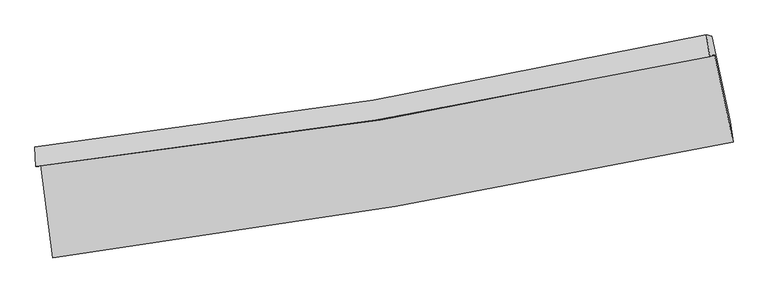
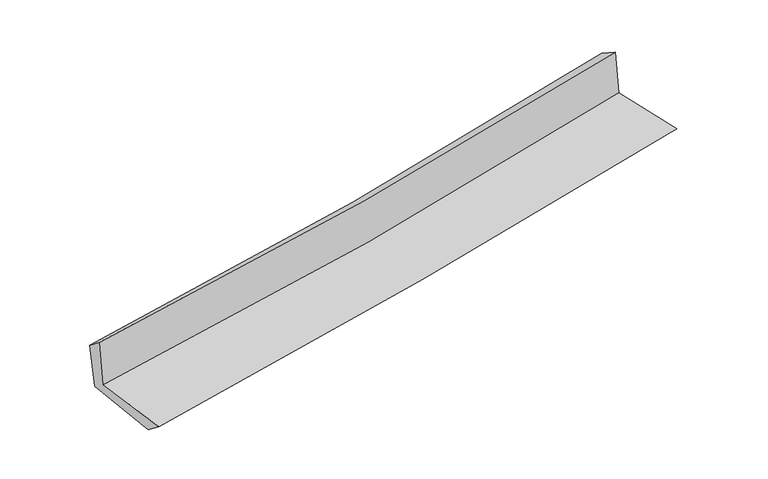
"""IFC4 building model written with IfcOpenShell, lengths in millimetres: proxy geometry."""

from ifc_helpers import new_model, si_unit, frame, origin, place, context, project, spatial, source, transform, mapped, element, save
from ifc_brep_helpers import plane_surface, spline_curve, spline_surface, advanced_brep


def generic_models_d1a72292(model_context):
    return source(origin(), model_context, "Body", "AdvancedBrep", [
        advanced_brep(
        [(-2569.9083084, -1888.3896967, 1640.3603005), (-2481.9946281, -2590.1840842, 1637.4441291), (2644.6074852, -1716.802306, 2124.204737), (2506.0174481, -1062.2511565, 2116.0336915), (-2607.7846162, -1899.4718583, 2062.1428362), (2469.752482, -1072.8618586, 2519.8726673), (-2615.3827915, -1753.0153509, 1947.278687), (2444.117754, -907.3187988, 2419.0987906), (-2577.2486071, -1762.9932797, 1550.9809602), (2484.1634591, -917.0541142, 2021.0401175), (-2489.650557, -2444.1748638, 1523.8005425), (2623.5603831, -1562.3624378, 2000.1226041)],
        [
            (0, 1),
            (1, 2, spline_curve(3, [(-2481.9946281, -2590.1840842, 1637.4441291), (-1619.420361942, -2476.399152785, 1725.286825756), (-759.165304808, -2346.358214166, 1809.925573899), (949.664148821, -2054.9651798, 1972.1267277), (1798.276462632, -1893.878859038, 2049.741515302), (2644.6074852, -1716.802306, 2124.204737)], [4, 2, 4], [0.0, 8.558225839445523, 17.04620271726003])),
            (2, 3),
            (3, 0, spline_curve(3, [(2506.0174481, -1062.2511565, 2116.0336915), (1671.406487914, -1249.034043543, 2039.119797352), (832.866649429, -1411.088977047, 1961.190958867), (-859.043300794, -1686.879495924, 1802.650031058), (-1712.478714154, -1800.204075643, 1722.021072837), (-2569.9083084, -1888.3896967, 1640.3603005)], [4, 2, 4], [0.0, 8.487976877814507, 17.04620271726003])),
            (4, 0),
            (3, 5),
            (5, 4, spline_curve(3, [(2469.752482, -1072.8618586, 2519.8726673), (1634.27358693, -1254.035198763, 2442.190686998), (795.164818343, -1413.312765351, 2365.359220067), (-897.287215083, -1689.213363467, 2212.768473299), (-1750.69081271, -1805.47246314, 2137.023329811), (-2607.7846162, -1899.4718583, 2062.1428362)], [4, 2, 4], [0.0, 8.441147557032142, 16.952156502636818])),
            (6, 4),
            (5, 7),
            (7, 6, spline_curve(3, [(2444.117754, -907.3187988, 2419.0987906), (1612.033718157, -1094.282084088, 2344.081114842), (776.120057626, -1258.044017296, 2267.422758882), (-910.316471923, -1540.328499493, 2110.176660956), (-1760.902993219, -1658.465417184, 2029.561648994), (-2615.3827915, -1753.0153509, 1947.278687)], [4, 2, 4], [0.0, 8.430013882655413, 16.929797008360893])),
            (8, 6),
            (7, 9),
            (9, 8, spline_curve(3, [(2484.1634591, -917.0541142, 2021.0401175), (1651.991811904, -1104.134269787, 1943.834593373), (815.876182158, -1267.974930315, 1866.223343708), (-871.195619871, -1550.340917764, 1709.543701345), (-1722.217345552, -1668.479979028, 1630.468565407), (-2577.2486071, -1762.9932797, 1550.9809602)], [4, 2, 4], [0.0, 8.420793089845763, 16.91127910878249])),
            (10, 8),
            (9, 11),
            (11, 10, spline_curve(3, [(2623.5603831, -1562.3624378, 2000.1226041), (1779.013768261, -1733.998035354, 1922.653209945), (932.404087407, -1893.049442534, 1844.391865337), (-771.965268925, -2187.196080484, 1685.631007838), (-1629.759234531, -2322.08214894, 1605.118331744), (-2489.650557, -2444.1748638, 1523.8005425)], [4, 2, 4], [0.0, 8.467532931539285, 17.005145624673094])),
            (1, 10),
            (11, 2),
        ],
        [
            spline_surface(3, 3, [[(-2569.9083084, -1888.3896967, 1640.3603005), (-1712.478714211, -1800.204075568, 1722.021072788), (-859.043300666, -1686.8794958, 1802.650031192), (832.866649303, -1411.08897717, 1961.190958734), (1671.406487931, -1249.034043525, 2039.119797307), (2506.0174481, -1062.2511565, 2116.0336915)], [(-2540.603748289, -2122.321159214, 1639.388243383), (-1681.459263433, -2025.602434643, 1723.109657142), (-825.750635354, -1906.705735235, 1805.075212127), (871.79914915, -1625.714378052, 1964.836215), (1713.696479554, -1463.982315381, 2042.660369978), (2552.214127145, -1280.434873014, 2118.757373334)], [(-2511.299188211, -2356.252621686, 1638.416186217), (-1650.43981269, -2251.000793677, 1724.198241448), (-792.457970093, -2126.531974692, 1807.500393098), (910.731648946, -1840.339778956, 1968.481471303), (1755.986471142, -1678.930587196, 2046.200942645), (2598.410806155, -1498.618589487, 2121.481055166)], [(-2481.9946281, -2590.1840842, 1637.4441291), (-1619.420361913, -2476.399152753, 1725.286825803), (-759.16530478, -2346.358214127, 1809.925574032), (949.664148793, -2054.965179838, 1972.126727568), (1798.276462766, -1893.878859052, 2049.741515315), (2644.6074852, -1716.802306, 2124.204737)]], [4, 4], [4, 2, 4], [0.0, 2.1677701812288768], [0.0, 8.558225839445523, 17.04620271726003]),
            spline_surface(3, 3, [[(-2607.7846162, -1899.4718583, 2062.1428362), (-1750.690812794, -1805.472463226, 2137.023329743), (-897.2872152, -1689.213363385, 2212.768473258), (795.16481846, -1413.312765432, 2365.359220107), (1634.273586927, -1254.035198769, 2442.1906869), (2469.752482, -1072.8618586, 2519.8726673)], [(-2595.159180267, -1895.777804414, 1921.548657637), (-1737.9534466, -1803.716333988, 1998.689244095), (-884.539243682, -1688.435407551, 2076.062325896), (807.732095415, -1412.571502706, 2230.636466309), (1646.651220589, -1252.36814704, 2307.833723688), (2481.840804027, -1069.324957919, 2385.259675352)], [(-2582.533744333, -1892.083750586, 1780.954479063), (-1725.216080405, -1801.960204806, 1860.355158435), (-871.791272185, -1687.657451634, 1939.356178555), (820.299372348, -1411.830239897, 2095.913712533), (1659.028854269, -1250.701095254, 2173.476760519), (2493.929126073, -1065.788057181, 2250.646683448)], [(-2569.9083084, -1888.3896967, 1640.3603005), (-1712.478714211, -1800.204075568, 1722.021072788), (-859.043300666, -1686.8794958, 1802.650031192), (832.866649303, -1411.08897717, 1961.190958734), (1671.406487931, -1249.034043525, 2039.119797307), (2506.0174481, -1062.2511565, 2116.0336915)]], [4, 4], [4, 2, 4], [0.0, 1.3416712178984875], [0.0, 8.511008945604676, 16.952156502636818]),
            spline_surface(3, 3, [[(-2615.3827915, -1753.0153509, 1947.278687), (-1760.902993131, -1658.465417053, 2029.56164905), (-910.316471829, -1540.328499483, 2110.176660919), (776.120057533, -1258.044017306, 2267.422758918), (1612.033718032, -1094.28208417, 2344.081114902), (2444.117754, -907.3187988, 2419.0987906)], [(-2612.850066394, -1801.834186732, 1985.566736734), (-1757.498933013, -1707.467765809, 2065.382209281), (-905.973386309, -1589.956787434, 2144.37393171), (782.468311152, -1309.800266665, 2300.068245992), (1619.447007658, -1147.533122368, 2376.784305591), (2452.662663327, -962.499818731, 2452.690082856)], [(-2610.317341306, -1850.653022468, 2023.854786466), (-1754.094872913, -1756.47011447, 2101.202769512), (-901.630300721, -1639.585075433, 2178.571202468), (788.81656484, -1361.556516073, 2332.713733034), (1626.860297302, -1200.784160571, 2409.487496211), (2461.207572673, -1017.680838669, 2486.281375044)], [(-2607.7846162, -1899.4718583, 2062.1428362), (-1750.690812794, -1805.472463226, 2137.023329743), (-897.2872152, -1689.213363385, 2212.768473258), (795.16481846, -1413.312765432, 2365.359220107), (1634.273586927, -1254.035198769, 2442.1906869), (2469.752482, -1072.8618586, 2519.8726673)]], [4, 4], [4, 2, 4], [0.0, 0.5998873409897778], [0.0, 8.49978312570548, 16.929797008360893]),
            spline_surface(3, 3, [[(-2577.2486071, -1762.9932797, 1550.9809602), (-1722.217345552, -1668.479978924, 1630.468565489), (-871.195619943, -1550.34091768, 1709.543701446), (815.876182229, -1267.974930398, 1866.223343608), (1651.991811991, -1104.134269797, 1943.83459343), (2484.1634591, -917.0541142, 2021.0401175)], [(-2589.9600019, -1759.667303408, 1683.080202444), (-1735.112561412, -1665.141791609, 1763.49959332), (-884.235903901, -1547.003444936, 1843.088021258), (802.624140667, -1264.664626022, 1999.956482032), (1638.67244734, -1100.850207893, 2077.250100578), (2470.814890735, -913.809009038, 2153.726341857)], [(-2602.6713967, -1756.341327192, 1815.179444756), (-1748.007777272, -1661.803604368, 1896.530621219), (-897.276187871, -1543.665972227, 1976.632341107), (789.372099094, -1261.354321682, 2133.689620494), (1625.353082683, -1097.566146074, 2210.665607754), (2457.466322365, -910.563903962, 2286.412566243)], [(-2615.3827915, -1753.0153509, 1947.278687), (-1760.902993131, -1658.465417053, 2029.56164905), (-910.316471829, -1540.328499483, 2110.176660919), (776.120057533, -1258.044017306, 2267.422758918), (1612.033718032, -1094.28208417, 2344.081114902), (2444.117754, -907.3187988, 2419.0987906)]], [4, 4], [4, 2, 4], [0.0, 1.3220868665637155], [0.0, 8.490486018936728, 16.91127910878249]),
            spline_surface(3, 3, [[(-2489.650557, -2444.1748638, 1523.8005425), (-1629.759234667, -2322.082148877, 1605.118331823), (-771.965268906, -2187.196080576, 1685.631007856), (932.404087389, -1893.049442443, 1844.391865319), (1779.013768371, -1733.998035389, 1922.653209827), (2623.5603831, -1562.3624378, 2000.1226041)], [(-2518.849907046, -2217.11433577, 1532.860681727), (-1660.578604975, -2104.214758895, 1613.568409705), (-805.042052588, -1974.911026285, 1693.601905718), (893.561452332, -1684.691271769, 1851.669024747), (1736.673116267, -1524.043446857, 1929.713671019), (2577.09474179, -1347.259663265, 2007.095108558)], [(-2548.049257054, -1990.05380773, 1541.920820973), (-1691.397975245, -1886.347368905, 1622.018487607), (-838.11883626, -1762.625971971, 1701.572803584), (854.718817285, -1476.333101072, 1858.94618418), (1694.332464095, -1314.088858329, 1936.774132238), (2530.62910041, -1132.156888735, 2014.067613042)], [(-2577.2486071, -1762.9932797, 1550.9809602), (-1722.217345552, -1668.479978924, 1630.468565489), (-871.195619943, -1550.34091768, 1709.543701446), (815.876182229, -1267.974930398, 1866.223343608), (1651.991811991, -1104.134269797, 1943.83459343), (2484.1634591, -917.0541142, 2021.0401175)]], [4, 4], [4, 2, 4], [0.0, 2.1015941349698504], [0.0, 8.53761269313381, 17.005145624673094]),
            spline_surface(3, 3, [[(-2481.9946281, -2590.1840842, 1637.4441291), (-1619.420361913, -2476.399152753, 1725.286825803), (-759.16530478, -2346.358214127, 1809.925574032), (949.664148793, -2054.965179838, 1972.126727568), (1798.276462766, -1893.878859052, 2049.741515315), (2644.6074852, -1716.802306, 2124.204737)], [(-2484.546604405, -2541.514344062, 1599.562933575), (-1622.866652836, -2424.960151456, 1685.230661151), (-763.431959491, -2293.30416961, 1768.494051996), (943.910794989, -2000.993267373, 1929.548440175), (1791.85556461, -1840.585251164, 2007.378746828), (2637.591784476, -1665.322349933, 2082.844026042)], [(-2487.098580695, -2492.844603938, 1561.681738025), (-1626.312943744, -2373.521150174, 1645.174496475), (-767.698614195, -2240.250125093, 1727.062529892), (938.157441193, -1947.021354908, 1886.970152713), (1785.434666526, -1787.291643277, 1965.015978314), (2630.576083824, -1613.842393867, 2041.483315058)], [(-2489.650557, -2444.1748638, 1523.8005425), (-1629.759234667, -2322.082148877, 1605.118331823), (-771.965268906, -2187.196080576, 1685.631007856), (932.404087389, -1893.049442443, 1844.391865319), (1779.013768371, -1733.998035389, 1922.653209827), (2623.5603831, -1562.3624378, 2000.1226041)]], [4, 4], [4, 2, 4], [0.0, 0.6713347524178166], [0.0, 8.594524140995963, 17.118501370991414]),
            plane_surface(frame((2528.7031686, -1206.4417787, 2200.0621013), z_axis=(0.9738447597974254, 0.2073547214071314, 0.0928999640756984), x_axis=(-0.10006763517940896, 0.024326953315983495, 0.9946831996831769))),
            plane_surface(frame((-2556.9949181, -2056.3715223, 1727.0012426), z_axis=(-0.9880863338301228, -0.1233952550746652, -0.09197286514622569), x_axis=(-0.12429731536568857, 0.9922364526024653, 0.0041230473873435786))),
        ],
        [
            (0, [[1, 2, 3, 4]]),
            (1, [[5, -4, 6, 7]]),
            (2, [[8, -7, 9, 10]]),
            (3, [[11, -10, 12, 13]]),
            (4, [[14, -13, 15, 16]]),
            (5, [[17, -16, 18, -2]]),
            (6, [[-12, -9, -6, -3, -18, -15]]),
            (7, [[-1, -5, -8, -11, -14, -17]]),
        ],
    ),
    ])


if __name__ == "__main__":
    model = new_model("IFC4")
    model_context = context("Model", 3, world=origin())
    ifc_project = project(units=[si_unit("LENGTHUNIT", "METRE", prefix="MILLI")], contexts=[model_context])
    site = spatial("IfcSite", under=ifc_project)
    building = spatial("IfcBuilding", under=site)
    placement = place(None, origin())
    generic_models_shape = generic_models_d1a72292(model_context)
    element("IfcBuildingElementProxy", 1, Name="Generic Models", at=placement, inside=building, context=model_context, shape_type="MappedRepresentation", body=[
        mapped(generic_models_shape, transform((0.0, 0.0, 0.0), x_axis=(1.0, 0.0, 0.0), y_axis=(0.0, 1.0, 0.0), z_axis=(0.0, 0.0, 1.0))),
    ])
    save(model, "model.ifc")
